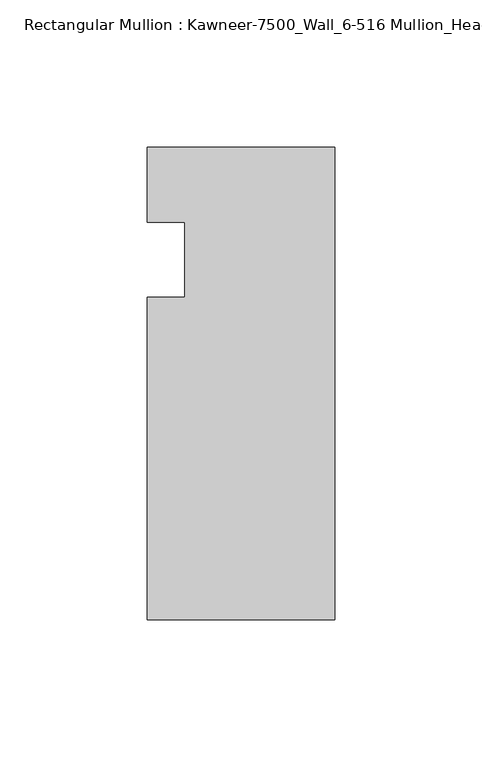
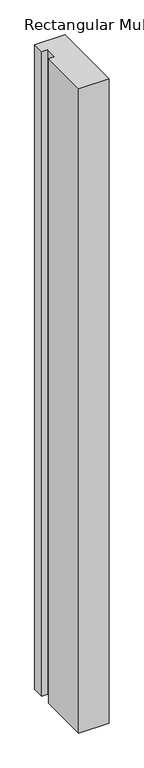
"""IFC4 building model written with IfcOpenShell, lengths in millimetres: member geometry, Rectangular Mullion : Kawneer-7500_Wall_6-516 Mullion_Head."""

from ifc_helpers import new_model, si_unit, frame, origin, place, context, project, spatial, polyline, outline, extrude, source, transform, mapped, element, save


def rectangular_mullion_kawneer_7500_wall_6_516_mullion_head_b0407afc(model_context):
    return source(origin(), model_context, "Body", "SweptSolid", [
        extrude(outline(polyline([(-63.5, -122.2375), (-63.5, -12.7), (-50.7982296, -12.7), (-50.7982296, 12.7), (-63.5, 12.7), (-63.5, 38.1), (0.0, 38.1), (0.0, -122.2375), (-63.5, -122.2375)])), frame((0.0, 0.0, -1433.0844027), z_axis=(0.0, 0.0, 1.0), x_axis=(1.0, 0.0, 0.0)), (0.0, 0.0, 1.0), 1433.0844027),
    ])


if __name__ == "__main__":
    model = new_model("IFC4")
    model_context = context("Model", 3, world=origin())
    ifc_project = project(units=[si_unit("LENGTHUNIT", "METRE", prefix="MILLI")], contexts=[model_context])
    site = spatial("IfcSite", under=ifc_project)
    building = spatial("IfcBuilding", under=site)
    placement = place(None, origin())
    rectangular_mullion_kawneer_7500_wall_6_516_mullion_head_shape = rectangular_mullion_kawneer_7500_wall_6_516_mullion_head_b0407afc(model_context)
    element("IfcMember", 1, ObjectType="Rectangular Mullion : Kawneer-7500_Wall_6-516 Mullion_Head", at=placement, inside=building, context=model_context, shape_type="MappedRepresentation", body=[
        mapped(rectangular_mullion_kawneer_7500_wall_6_516_mullion_head_shape, transform((0.0, 0.0, 0.0), x_axis=(1.0, 0.0, 0.0), y_axis=(0.0, 1.0, 0.0), z_axis=(0.0, 0.0, 1.0))),
    ])
    save(model, "model.ifc")
